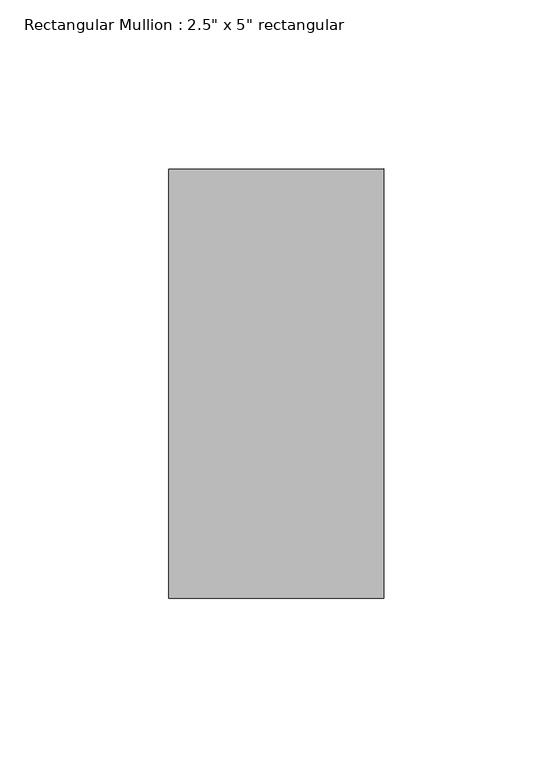
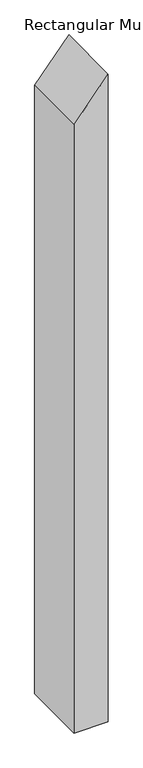
"""IFC4 building model written with IfcOpenShell, lengths in millimetres: member geometry."""

from ifc_helpers import new_model, si_unit, frame, origin, place, context, project, spatial, polyline, outline, extrude, source, transform, mapped, element, save


def member_92363919(model_context):
    return source(origin(), model_context, "Body", "SweptSolid", [
        extrude(outline(polyline([(0.0, 0.0), (-77.2482014, -63.5), (-1274.0829501, -63.5), (-1274.0829501, 0.0), (0.0, 0.0)])), frame((0.0, -63.5, 0.0), z_axis=(0.0, 1.0, 0.0), x_axis=(0.0, 0.0, 1.0)), (0.0, 0.0, 1.0), 127.0),
    ])


if __name__ == "__main__":
    model = new_model("IFC4")
    model_context = context("Model", 3, world=origin())
    ifc_project = project(units=[si_unit("LENGTHUNIT", "METRE", prefix="MILLI")], contexts=[model_context])
    site = spatial("IfcSite", under=ifc_project)
    building = spatial("IfcBuilding", under=site)
    placement = place(None, origin())
    member_shape = member_92363919(model_context)
    element("IfcMember", 1, ObjectType="Rectangular Mullion : 2.5\" x 5\" rectangular", at=placement, inside=building, context=model_context, shape_type="MappedRepresentation", body=[
        mapped(member_shape, transform((0.0, 0.0, 0.0), x_axis=(1.0, 0.0, 0.0), y_axis=(0.0, 1.0, 0.0), z_axis=(0.0, 0.0, 1.0))),
    ])
    save(model, "model.ifc")
